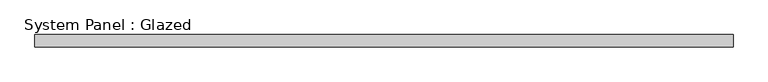
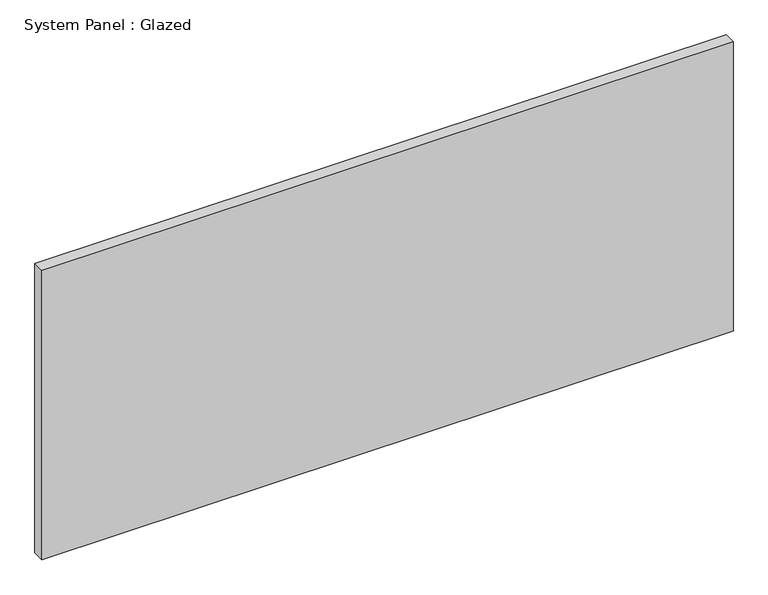
"""IFC4 building model written with IfcOpenShell, lengths in millimetres: plate geometry, System Panel : Glazed."""

from ifc_helpers import new_model, si_unit, origin, origin_with_axes, place, context, project, spatial, polyline, outline, extrude, source, transform, mapped, element, save


def system_panel_glazed_77127841(model_context):
    return source(origin(), model_context, "Body", "SweptSolid", [
        extrude(outline(polyline([(705.8333333, 24.5), (-705.8333333, 24.5), (-705.8333333, 49.5), (705.8333333, 49.5), (705.8333333, 24.5)])), origin_with_axes(), (0.0, 0.0, 1.0), 625.0),
    ])


if __name__ == "__main__":
    model = new_model("IFC4")
    model_context = context("Model", 3, world=origin())
    ifc_project = project(units=[si_unit("LENGTHUNIT", "METRE", prefix="MILLI")], contexts=[model_context])
    site = spatial("IfcSite", under=ifc_project)
    building = spatial("IfcBuilding", under=site)
    placement = place(None, origin())
    system_panel_glazed_shape = system_panel_glazed_77127841(model_context)
    element("IfcPlate", 1, ObjectType="System Panel : Glazed", at=placement, inside=building, context=model_context, shape_type="MappedRepresentation", body=[
        mapped(system_panel_glazed_shape, transform((0.0, 0.0, 0.0), x_axis=(1.0, 0.0, 0.0), y_axis=(0.0, 1.0, 0.0), z_axis=(0.0, 0.0, 1.0))),
    ])
    save(model, "model.ifc")
